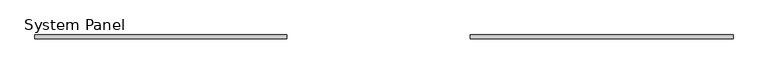
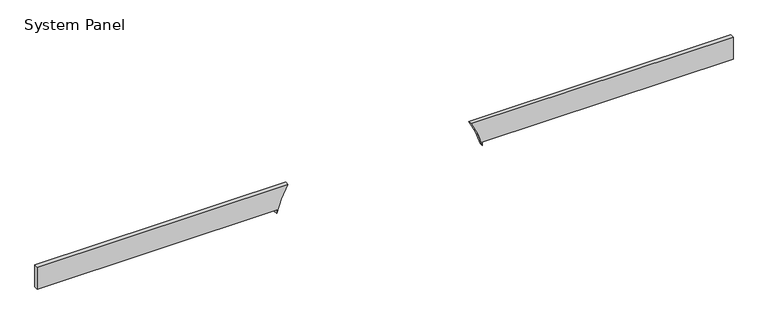
"""IFC4 building model written with IfcOpenShell, lengths in millimetres: plate geometry, System Panel."""

from ifc_helpers import new_model, si_unit, point, frame, frame_2d, origin, place, context, project, spatial, polyline, circle_curve, trimmed, segment, composite_curve, outline, extrude, source, transform, mapped, element, save


def system_panel_c8c80c82(model_context):
    return source(origin(), model_context, "Body", "SweptSolid", [
        extrude(outline(composite_curve([segment(polyline([(0.0, 628.4697127), (25.0, 628.4697127), (25.0, 2250.0), (175.0, 2250.0), (175.0, 555.3618397)]), True, "CONTINUOUS"), segment(trimmed(circle_curve(frame_2d((-175.0, -36.4365219)), 687.5502169), [point((175.0, 555.3618397))], [point((0.0, 628.4697127))], True, "CARTESIAN"), True, "CONTINUOUS")], self_intersect=False)), frame((0.0, 24.5, 0.0), z_axis=(0.0, 1.0, 0.0), x_axis=(0.0, 0.0, 1.0)), (0.0, 0.0, 1.0), 25.0),
        extrude(outline(composite_curve([segment(polyline([(25.0, -701.3427565), (0.0, -701.3427565)]), True, "CONTINUOUS"), segment(trimmed(circle_curve(frame_2d((-175.0, -36.4365219)), 687.5502169), [point((0.0, -701.3427565))], [point((175.0, -628.2348835))], True, "CARTESIAN"), True, "CONTINUOUS"), segment(polyline([(175.0, -628.2348835), (175.0, -2250.0), (25.0, -2250.0), (25.0, -701.3427565)]), True, "CONTINUOUS")], self_intersect=False)), frame((0.0, 24.5, 0.0), z_axis=(0.0, 1.0, 0.0), x_axis=(0.0, 0.0, 1.0)), (0.0, 0.0, 1.0), 25.0),
    ])


if __name__ == "__main__":
    model = new_model("IFC4")
    model_context = context("Model", 3, world=origin())
    ifc_project = project(units=[si_unit("LENGTHUNIT", "METRE", prefix="MILLI")], contexts=[model_context])
    site = spatial("IfcSite", under=ifc_project)
    building = spatial("IfcBuilding", under=site)
    placement = place(None, origin())
    system_panel_shape = system_panel_c8c80c82(model_context)
    element("IfcPlate", 1, ObjectType="System Panel", at=placement, inside=building, context=model_context, shape_type="MappedRepresentation", body=[
        mapped(system_panel_shape, transform((0.0, 0.0, 0.0), x_axis=(1.0, 0.0, 0.0), y_axis=(0.0, 1.0, 0.0), z_axis=(0.0, 0.0, 1.0))),
    ])
    save(model, "model.ifc")
